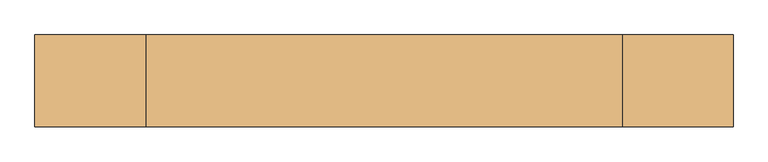
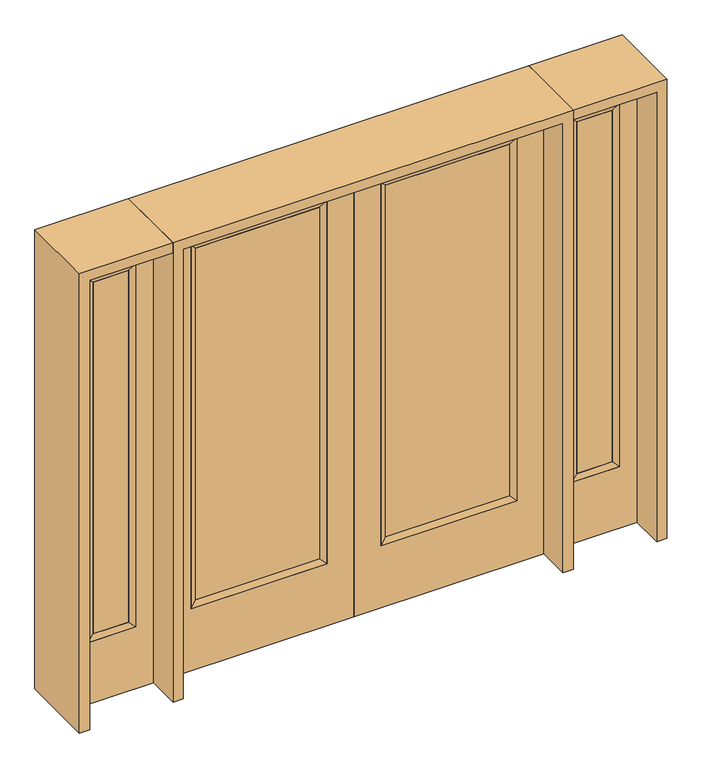
"""IFC4 building model written with IfcOpenShell, lengths in millimetres: door geometry."""

from ifc_helpers import new_model, si_unit, frame, origin, place, context, project, spatial, polyline, outline, extrude, faceted_brep, source, transform, mapped, element, save


def door_403f4b04(model_context):
    return source(origin(), model_context, "Body", "SolidModel", [
        extrude(outline(polyline([(140.8176, -12.7039749), (140.8176, 14.2875), (671.9824, 14.2875), (671.9824, -12.7039749), (140.8176, -12.7039749)])), frame((0.0, 0.0, 304.8), z_axis=(0.0, 0.0, 1.0), x_axis=(1.0, 0.0, 0.0)), (0.0, 0.0, 1.0), 1590.675),
        faceted_brep([(140.8176, 14.2875, 1895.475), (140.8176, 14.2875, 304.8), (115.4176, 22.225, 279.4), (115.4176, 22.225, 1920.875), (115.4176, -22.225, 279.4), (115.4176, -22.225, 1920.875), (671.9824, 14.2875, 304.8), (697.3824, 22.225, 279.4), (140.8176, -12.7039749, 1895.475), (140.8176, -12.7039749, 304.8), (671.9824, -12.7039749, 304.8), (697.3824, -22.225, 279.4), (671.9824, 14.2875, 1895.475), (697.3824, 22.225, 1920.875), (671.9824, -12.7039749, 1895.475), (697.3824, -22.225, 1920.875)], [[[0, 1, 2, 3]], [[3, 2, 4, 5]], [[1, 6, 7, 2]], [[8, 9, 1, 0]], [[9, 10, 6, 1]], [[5, 4, 9, 8]], [[4, 11, 10, 9]], [[2, 7, 11, 4]], [[6, 12, 13, 7]], [[10, 14, 12, 6]], [[11, 15, 14, 10]], [[7, 13, 15, 11]], [[12, 0, 3, 13]], [[14, 8, 0, 12]], [[15, 5, 8, 14]], [[13, 3, 5, 15]]]),
        extrude(outline(polyline([(0.0, 812.8), (2032.0, 812.8), (2032.0, 0.0), (0.0, 0.0), (0.0, 812.8)]), holes=[polyline([(279.4, 697.3824), (279.4, 115.4176), (1920.875, 115.4176), (1920.875, 697.3824), (279.4, 697.3824)])]), frame((0.0, -22.225, 0.0), z_axis=(0.0, 1.0, 0.0), x_axis=(0.0, 0.0, 1.0)), (0.0, 0.0, 1.0), 44.45),
        extrude(outline(polyline([(-140.8176, -12.7039749), (-671.9824, -12.7039749), (-671.9824, 14.2875), (-140.8176, 14.2875), (-140.8176, -12.7039749)])), frame((0.0, 0.0, 304.8), z_axis=(0.0, 0.0, 1.0), x_axis=(1.0, 0.0, 0.0)), (0.0, 0.0, 1.0), 1590.675),
        faceted_brep([(-140.8176, 14.2875, 1895.475), (-115.4176, 22.225, 1920.875), (-115.4176, 22.225, 279.4), (-140.8176, 14.2875, 304.8), (-115.4176, -22.225, 1920.875), (-115.4176, -22.225, 279.4), (-697.3824, 22.225, 279.4), (-671.9824, 14.2875, 304.8), (-140.8176, -12.7039749, 1895.475), (-140.8176, -12.7039749, 304.8), (-671.9824, -12.7039749, 304.8), (-697.3824, -22.225, 279.4), (-697.3824, 22.225, 1920.875), (-671.9824, 14.2875, 1895.475), (-671.9824, -12.7039749, 1895.475), (-697.3824, -22.225, 1920.875)], [[[0, 1, 2, 3]], [[1, 4, 5, 2]], [[3, 2, 6, 7]], [[8, 0, 3, 9]], [[9, 3, 7, 10]], [[4, 8, 9, 5]], [[5, 9, 10, 11]], [[2, 5, 11, 6]], [[7, 6, 12, 13]], [[10, 7, 13, 14]], [[11, 10, 14, 15]], [[6, 11, 15, 12]], [[13, 12, 1, 0]], [[14, 13, 0, 8]], [[15, 14, 8, 4]], [[12, 15, 4, 1]]]),
        extrude(outline(polyline([(0.0, -812.8), (0.0, 0.0), (2032.0, 0.0), (2032.0, -812.8), (0.0, -812.8)]), holes=[polyline([(279.4, -697.3824), (1920.875, -697.3824), (1920.875, -115.4176), (279.4, -115.4176), (279.4, -697.3824)])]), frame((0.0, -22.225, 0.0), z_axis=(0.0, 1.0, 0.0), x_axis=(0.0, 0.0, 1.0)), (0.0, 0.0, 1.0), 44.45),
        faceted_brep([(933.45, 20.6375, 1920.875), (933.45, 20.6375, 279.4), (933.45, -20.6375, 279.4), (933.45, -20.6375, 1920.875), (958.85, -12.7, 304.8), (958.85, -12.7, 1895.475), (1136.65, 20.6375, 279.4), (1136.65, -20.6375, 279.4), (958.85, 12.7, 1895.475), (958.85, 12.7, 304.8), (1111.25, 12.7, 304.8), (1111.25, -12.7, 304.8), (1136.65, 20.6375, 1920.875), (1136.65, -20.6375, 1920.875), (1111.25, 12.7, 1895.475), (1111.25, -12.7, 1895.475)], [[[0, 1, 2, 3]], [[3, 2, 4, 5]], [[1, 6, 7, 2]], [[8, 9, 1, 0]], [[9, 10, 6, 1]], [[5, 4, 9, 8]], [[4, 11, 10, 9]], [[2, 7, 11, 4]], [[6, 12, 13, 7]], [[10, 14, 12, 6]], [[11, 15, 14, 10]], [[7, 13, 15, 11]], [[12, 0, 3, 13]], [[14, 8, 0, 12]], [[15, 5, 8, 14]], [[13, 3, 5, 15]]]),
        extrude(outline(polyline([(0.0, 1212.85), (2032.0, 1212.85), (2032.0, 857.25), (0.0, 857.25), (0.0, 1212.85)]), holes=[polyline([(1920.875, 933.45), (1920.875, 1136.65), (279.4, 1136.65), (279.4, 933.45), (1920.875, 933.45)])]), frame((0.0, -20.6375, 0.0), z_axis=(0.0, 1.0, 0.0), x_axis=(0.0, 0.0, 1.0)), (0.0, 0.0, 1.0), 41.275),
        extrude(outline(polyline([(958.85, -12.7), (958.85, 12.7), (1111.25, 12.7), (1111.25, -12.7), (958.85, -12.7)])), frame((0.0, 0.0, 304.8), z_axis=(0.0, 0.0, 1.0), x_axis=(1.0, 0.0, 0.0)), (0.0, 0.0, 1.0), 1590.675),
        faceted_brep([(-933.45, 20.6375, 1920.875), (-933.45, -20.6375, 1920.875), (-933.45, -20.6375, 279.4), (-933.45, 20.6375, 279.4), (-958.85, -12.7, 1895.475), (-958.85, -12.7, 304.8), (-1136.65, -20.6375, 279.4), (-1136.65, 20.6375, 279.4), (-958.85, 12.7, 1895.475), (-958.85, 12.7, 304.8), (-1111.25, 12.7, 304.8), (-1111.25, -12.7, 304.8), (-1136.65, -20.6375, 1920.875), (-1136.65, 20.6375, 1920.875), (-1111.25, 12.7, 1895.475), (-1111.25, -12.7, 1895.475)], [[[0, 1, 2, 3]], [[1, 4, 5, 2]], [[3, 2, 6, 7]], [[8, 0, 3, 9]], [[9, 3, 7, 10]], [[4, 8, 9, 5]], [[5, 9, 10, 11]], [[2, 5, 11, 6]], [[7, 6, 12, 13]], [[10, 7, 13, 14]], [[11, 10, 14, 15]], [[6, 11, 15, 12]], [[13, 12, 1, 0]], [[14, 13, 0, 8]], [[15, 14, 8, 4]], [[12, 15, 4, 1]]]),
        extrude(outline(polyline([(0.0, -1212.85), (0.0, -857.25), (2032.0, -857.25), (2032.0, -1212.85), (0.0, -1212.85)]), holes=[polyline([(1920.875, -933.45), (279.4, -933.45), (279.4, -1136.65), (1920.875, -1136.65), (1920.875, -933.45)])]), frame((0.0, -20.6375, 0.0), z_axis=(0.0, 1.0, 0.0), x_axis=(0.0, 0.0, 1.0)), (0.0, 0.0, 1.0), 41.275),
        extrude(outline(polyline([(-958.85, -12.7), (-1111.25, -12.7), (-1111.25, 12.7), (-958.85, 12.7), (-958.85, -12.7)])), frame((0.0, 0.0, 304.8), z_axis=(0.0, 0.0, 1.0), x_axis=(1.0, 0.0, 0.0)), (0.0, 0.0, 1.0), 1590.675),
        extrude(outline(polyline([(2032.0, -857.25), (2076.45, -857.25), (2076.45, -1257.3), (0.0, -1257.3), (0.0, -1212.85), (2032.0, -1212.85), (2032.0, -857.25)])), frame((0.0, -165.1, 0.0), z_axis=(0.0, 1.0, 0.0), x_axis=(0.0, 0.0, 1.0)), (0.0, 0.0, 1.0), 330.2),
        extrude(outline(polyline([(2076.45, -857.25), (0.0, -857.25), (0.0, -812.8), (2032.0, -812.8), (2032.0, 812.8), (0.0, 812.8), (0.0, 857.25), (2076.45, 857.25), (2076.45, -857.25)])), frame((0.0, -165.1, 0.0), z_axis=(0.0, 1.0, 0.0), x_axis=(0.0, 0.0, 1.0)), (0.0, 0.0, 1.0), 330.2),
        extrude(outline(polyline([(0.0, 1212.85), (0.0, 1257.3), (2076.45, 1257.3), (2076.45, 857.25), (2032.0, 857.25), (2032.0, 1212.85), (0.0, 1212.85)])), frame((0.0, -165.1, 0.0), z_axis=(0.0, 1.0, 0.0), x_axis=(0.0, 0.0, 1.0)), (0.0, 0.0, 1.0), 330.2),
    ])


if __name__ == "__main__":
    model = new_model("IFC4")
    model_context = context("Model", 3, world=origin())
    ifc_project = project(units=[si_unit("LENGTHUNIT", "METRE", prefix="MILLI")], contexts=[model_context])
    site = spatial("IfcSite", under=ifc_project)
    building = spatial("IfcBuilding", under=site)
    placement = place(None, origin())
    door_shape = door_403f4b04(model_context)
    element("IfcDoor", 1, at=placement, inside=building, context=model_context, shape_type="MappedRepresentation", body=[
        mapped(door_shape, transform((0.0, 0.0, 0.0), x_axis=(1.0, 0.0, 0.0), y_axis=(0.0, 1.0, 0.0), z_axis=(0.0, 0.0, 1.0))),
    ])
    save(model, "model.ifc")
